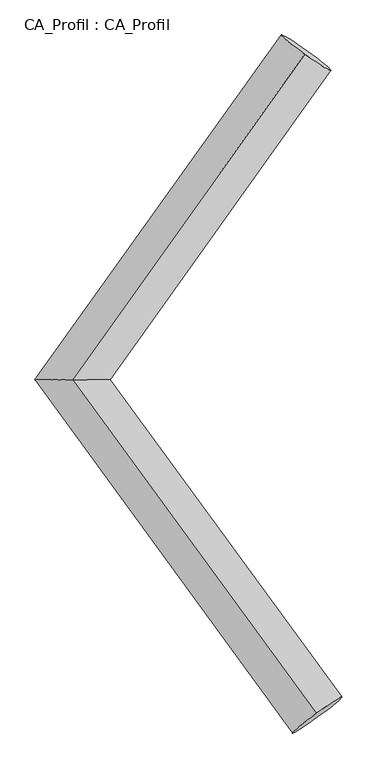
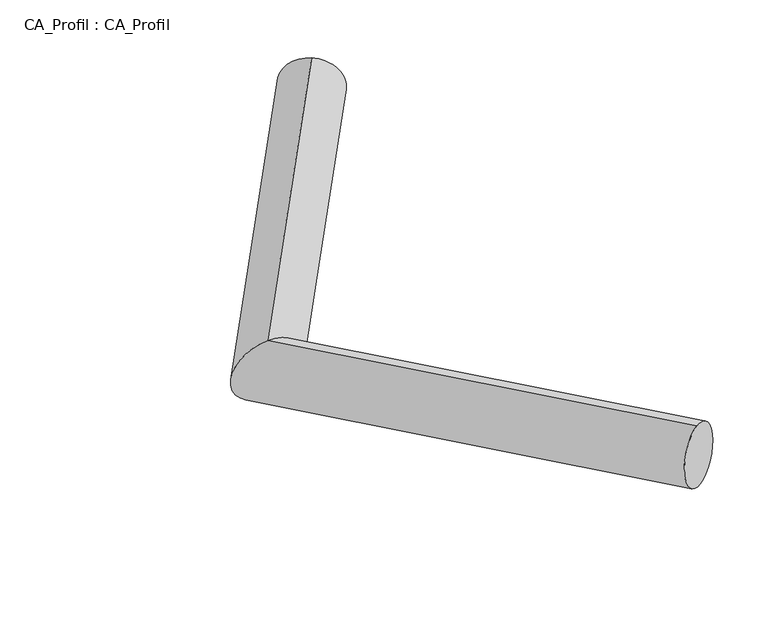
"""IFC4 building model written with IfcOpenShell, lengths in millimetres: plate geometry, CA_Profil : CA_Profil."""

from ifc_helpers import new_model, si_unit, frame, origin, place, context, project, spatial, circle_curve, ellipse_curve, source, transform, mapped, element, save
from ifc_brep_helpers import plane_surface, cylinder_surface, advanced_brep


def ca_profil_ca_profil_a4543a22(model_context):
    return source(origin(), model_context, "Body", "AdvancedBrep", [
        advanced_brep(
        [(6059.261326, 8782.9442174, -143.3466995), (6042.2712054, 8755.944776, 355.6346288), (4138.1991324, 6096.5365277, -354.1172821), (4139.7490869, 6095.4634723, 146.8981825), (6150.9879453, 3344.0196526, -148.4712812), (6133.7198678, 3368.6805193, 350.621551)],
        [
            (0, 1, circle_curve(frame((6050.7662657, 8769.4444967, 106.1439647), z_axis=(0.5804981565353696, 0.811766905215339, 0.0636897311671868), x_axis=(-0.03398024112144369, -0.053998882806546564, 0.9979626565503208)), 250.0)),
            (1, 0, circle_curve(frame((6050.7662657, 8769.4444967, 106.1439647), z_axis=(0.5804981565353696, 0.811766905215339, 0.0636897311671868), x_axis=(-0.03398024112144369, -0.053998882806546564, 0.9979626565503208)), 250.0)),
            (0, 2),
            (2, 3, ellipse_curve(frame((4138.9741097, 6096.0, -103.6095498), z_axis=(-0.00538038313819709, 0.9999831963173402, 0.002158369811228063), x_axis=(0.9944247525701125, 0.0051231439127566855, 0.10532409445288252)), 309.1123496, 250.0)),
            (3, 1),
            (3, 2, ellipse_curve(frame((4138.9741097, 6096.0, -103.6095498), z_axis=(-0.00538038313819709, 0.9999831963173402, 0.002158369811228063), x_axis=(0.9944247525701125, 0.0051231439127566855, 0.10532409445288252)), 309.1123496, 250.0)),
            (4, 5, circle_curve(frame((6142.3539065, 3356.3500859, 101.0751349), z_axis=(0.5892011138004871, -0.8057407703257063, 0.06019849276520714), x_axis=(-0.034536154964520165, 0.04932173347635681, 0.9981856643967363)), 250.0)),
            (5, 4, circle_curve(frame((6142.3539065, 3356.3500859, 101.0751349), z_axis=(0.5892011138004871, -0.8057407703257063, 0.06019849276520714), x_axis=(-0.034536154964520165, 0.04932173347635681, 0.9981856643967363)), 250.0)),
            (2, 4),
            (5, 3),
        ],
        [
            plane_surface(frame((6050.7662657, 8788.9989415, -143.0901094), z_axis=(0.580498156535369, 0.8117669052153393, 0.06368973116718674), x_axis=(0.8142615613296739, -0.5787196822166303, -0.04540527674229279))),
            cylinder_surface(frame((6050.7662657, 8769.4444967, 106.1439647), z_axis=(0.5804981565353696, 0.811766905215339, 0.0636897311671868), x_axis=(-0.03398024112144369, -0.053998882806546564, 0.9979626565503208)), 250.0),
            plane_surface(frame((6142.3539065, 3337.7240015, -148.2300375), z_axis=(0.5892011138004883, -0.8057407703257055, 0.06019849276520696), x_axis=(0.8079864154156702, 0.5875635409861891, -0.04389803876606456))),
            cylinder_surface(frame((4138.9741097, 6096.0, -103.6095498), z_axis=(-0.5892011138004871, 0.8057407703257063, -0.06019849276520714), x_axis=(-0.034536154964520165, 0.04932173347635681, 0.9981856643967363)), 250.0),
        ],
        [
            (0, [[1, 2]]),
            (1, [[-1, 3, 4, 5]]),
            (1, [[-2, -5, 6, -3]]),
            (2, [[7, 8]]),
            (3, [[-4, 9, -8, 10]]),
            (3, [[-6, -10, -7, -9]]),
        ],
    ),
    ])


if __name__ == "__main__":
    model = new_model("IFC4")
    model_context = context("Model", 3, world=origin())
    ifc_project = project(units=[si_unit("LENGTHUNIT", "METRE", prefix="MILLI")], contexts=[model_context])
    site = spatial("IfcSite", under=ifc_project)
    building = spatial("IfcBuilding", under=site)
    placement = place(None, origin())
    ca_profil_ca_profil_shape = ca_profil_ca_profil_a4543a22(model_context)
    element("IfcPlate", 1, ObjectType="CA_Profil : CA_Profil", at=placement, inside=building, context=model_context, shape_type="MappedRepresentation", body=[
        mapped(ca_profil_ca_profil_shape, transform((0.0, 0.0, 0.0), x_axis=(1.0, 0.0, 0.0), y_axis=(0.0, 1.0, 0.0), z_axis=(0.0, 0.0, 1.0))),
    ])
    save(model, "model.ifc")
